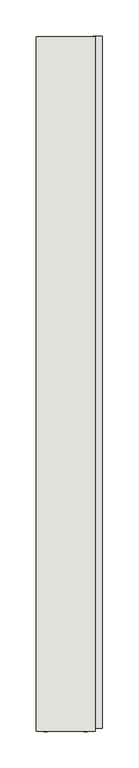
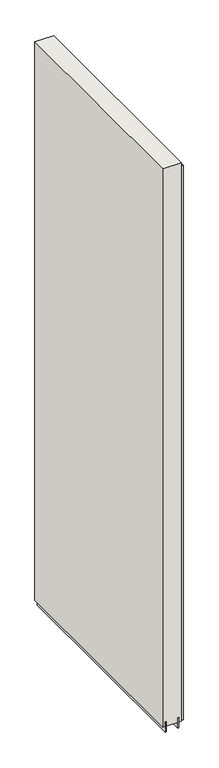
"""IFC4 building model written with IfcOpenShell, lengths in millimetres: wall geometry."""

from ifc_helpers import new_model, si_unit, frame, origin, place, context, project, spatial, polyline, outline, extrude, source, transform, mapped, element, save


def wall_da96702e(model_context):
    return source(origin(), model_context, "Body", "SweptSolid", [
        extrude(outline(polyline([(64721.142211, -46999.9454462), (64721.142211, -46997.4054462), (64723.682211, -46997.4054462), (64723.682211, -46999.9454462), (64721.142211, -46999.9454462)])), frame((0.0, 0.0, 4419.6), z_axis=(0.0, 0.0, 1.0), x_axis=(1.0, 0.0, 0.0)), (0.0, 0.0, 1.0), 2.54),
        extrude(outline(polyline([(64773.212211, -46996.9379338), (64773.212211, -47952.8013002), (64760.512211, -47952.8013002), (64760.512211, -46996.9379338), (64773.212211, -46996.9379338)])), frame((0.0, 0.0, 4445.0), z_axis=(0.0, 0.0, 1.0), x_axis=(1.0, 0.0, 0.0)), (0.0, 0.0, 1.0), 2545.0498756),
        extrude(outline(polyline([(64747.4959556, -47957.258797), (64747.4959556, -46997.4165968), (64752.574711, -46997.4165968), (64752.574711, -47957.258797), (64747.4959556, -47957.258797)])), frame((0.0, 0.0, 4418.6602), z_axis=(0.0, 0.0, 1.0), x_axis=(1.0, 0.0, 0.0)), (0.0, 0.0, 1.0), 47.625),
        extrude(outline(polyline([(64747.4959556, -47957.258797), (64747.4959556, -46997.4165968), (64752.574711, -46997.4165968), (64752.574711, -47957.258797), (64747.4959556, -47957.258797)])), frame((0.0, 0.0, 4418.6602), z_axis=(0.0, 0.0, 1.0), x_axis=(1.0, 0.0, 0.0)), (0.0, 0.0, 1.0), 47.625),
        extrude(outline(polyline([(64697.3284664, -46997.4165968), (64697.3284664, -47957.258797), (64692.249711, -47957.258797), (64692.249711, -46997.4165968), (64697.3284664, -46997.4165968)])), frame((0.0, 0.0, 4418.6602), z_axis=(0.0, 0.0, 1.0), x_axis=(1.0, 0.0, 0.0)), (0.0, 0.0, 1.0), 47.625),
        extrude(outline(polyline([(64697.3284664, -46997.4165968), (64697.3284664, -47957.258797), (64692.249711, -47957.258797), (64692.249711, -46997.4165968), (64697.3284664, -46997.4165968)])), frame((0.0, 0.0, 4418.6602), z_axis=(0.0, 0.0, 1.0), x_axis=(1.0, 0.0, 0.0)), (0.0, 0.0, 1.0), 47.625),
        extrude(outline(polyline([(64763.0670954, -47957.258797), (64681.7573266, -47957.258797), (64681.7573266, -46997.4165968), (64763.0670954, -46997.4165968), (64763.0670954, -47957.258797)])), frame((0.0, 0.0, 4445.0), z_axis=(0.0, 0.0, 1.0), x_axis=(1.0, 0.0, 0.0)), (0.0, 0.0, 1.0), 2562.4536762),
    ])


if __name__ == "__main__":
    model = new_model("IFC4")
    model_context = context("Model", 3, world=origin())
    ifc_project = project(units=[si_unit("LENGTHUNIT", "METRE", prefix="MILLI")], contexts=[model_context])
    site = spatial("IfcSite", under=ifc_project)
    building = spatial("IfcBuilding", under=site)
    placement = place(None, origin())
    wall_shape = wall_da96702e(model_context)
    element("IfcWall", 1, at=placement, inside=building, context=model_context, shape_type="MappedRepresentation", body=[
        mapped(wall_shape, transform((0.0, 0.0, 0.0), x_axis=(1.0, 0.0, 0.0), y_axis=(0.0, 1.0, 0.0), z_axis=(0.0, 0.0, 1.0))),
    ])
    save(model, "model.ifc")
